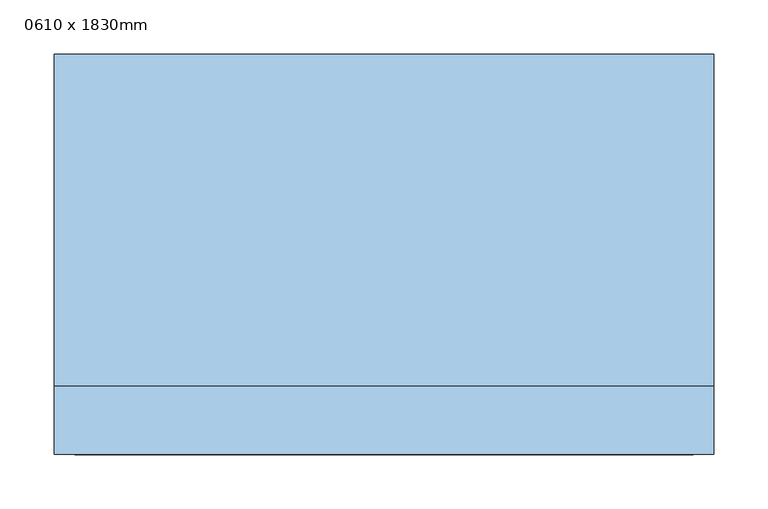
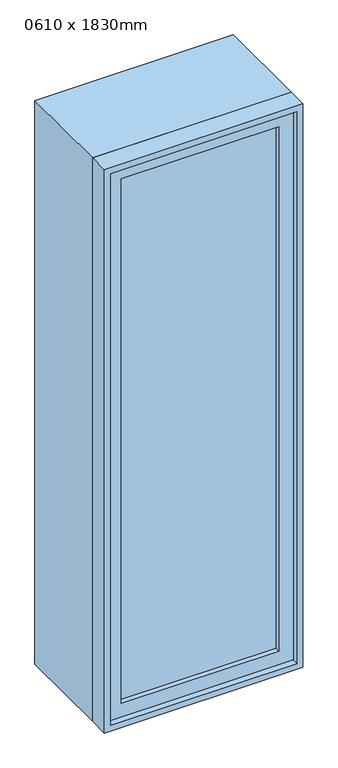
"""IFC4 building model written with IfcOpenShell, lengths in millimetres: window geometry, 0610 x 1830mm."""

from ifc_helpers import new_model, si_unit, frame, origin, place, context, project, spatial, polyline, outline, extrude, source, transform, mapped, element, save


def window_0610_x_1830mm_70232c56(model_context):
    return source(origin(), model_context, "Body", "SweptSolid", [
        extrude(outline(polyline([(-242.0, -163.0), (-242.0, -151.0), (242.0, -151.0), (242.0, -163.0), (-242.0, -163.0)])), frame((0.0, 0.0, 663.0), z_axis=(0.0, 0.0, 1.0), x_axis=(1.0, 0.0, 0.0)), (0.0, 0.0, 1.0), 1704.0),
        extrude(outline(polyline([(2411.0, -286.0), (619.0, -286.0), (619.0, 286.0), (2411.0, 286.0), (2411.0, -286.0)]), holes=[polyline([(2367.0, -242.0), (2367.0, 242.0), (663.0, 242.0), (663.0, -242.0), (2367.0, -242.0)])]), frame((0.0, -179.0, 0.0), z_axis=(0.0, 1.0, 0.0), x_axis=(0.0, 0.0, 1.0)), (0.0, 0.0, 1.0), 44.0),
        extrude(outline(polyline([(2430.0, -305.0), (600.0, -305.0), (600.0, 305.0), (2430.0, 305.0), (2430.0, -305.0)]), holes=[polyline([(2411.0, -286.0), (2411.0, 286.0), (619.0, 286.0), (619.0, -286.0), (2411.0, -286.0)])]), frame((0.0, -198.0, 0.0), z_axis=(0.0, 1.0, 0.0), x_axis=(0.0, 0.0, 1.0)), (0.0, 0.0, 1.0), 63.0),
        extrude(outline(polyline([(2430.0, -305.0), (600.0, -305.0), (600.0, 305.0), (2430.0, 305.0), (2430.0, -305.0)]), holes=[polyline([(2398.0, -273.0), (2398.0, 273.0), (632.0, 273.0), (632.0, -273.0), (2398.0, -273.0)])]), frame((0.0, -135.0, 0.0), z_axis=(0.0, 1.0, 0.0), x_axis=(0.0, 0.0, 1.0)), (0.0, 0.0, 1.0), 307.0),
    ])


if __name__ == "__main__":
    model = new_model("IFC4")
    model_context = context("Model", 3, world=origin())
    ifc_project = project(units=[si_unit("LENGTHUNIT", "METRE", prefix="MILLI")], contexts=[model_context])
    site = spatial("IfcSite", under=ifc_project)
    building = spatial("IfcBuilding", under=site)
    placement = place(None, origin())
    window_0610_x_1830mm_shape = window_0610_x_1830mm_70232c56(model_context)
    element("IfcWindow", 1, ObjectType="0610 x 1830mm", at=placement, inside=building, context=model_context, shape_type="MappedRepresentation", body=[
        mapped(window_0610_x_1830mm_shape, transform((0.0, 0.0, 0.0), x_axis=(1.0, 0.0, 0.0), y_axis=(0.0, 1.0, 0.0), z_axis=(0.0, 0.0, 1.0))),
    ])
    save(model, "model.ifc")
